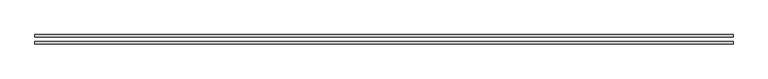
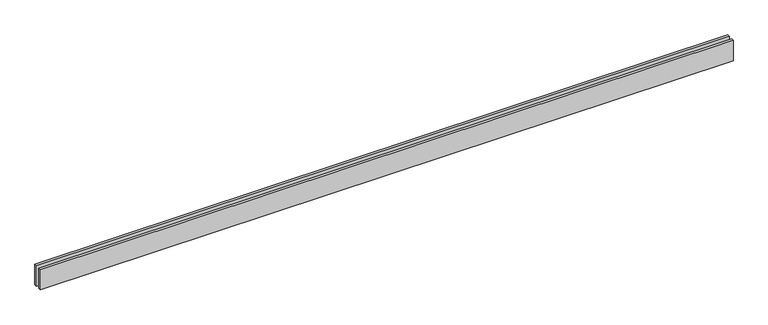
"""IFC4 building model written with IfcOpenShell, lengths in millimetres: proxy geometry."""

from ifc_helpers import new_model, si_unit, origin, origin_with_axes, place, context, project, spatial, polyline, outline, extrude, source, transform, mapped, element, save


def generic_models_e9903272(model_context):
    return source(origin(), model_context, "Body", "SweptSolid", [
        extrude(outline(polyline([(8100.0, -25.0), (8100.0, -55.0), (0.0, -55.0), (0.0, -25.0), (8100.0, -25.0)])), origin_with_axes(), (0.0, 0.0, 1.0), 250.0),
        extrude(outline(polyline([(8100.0, 55.0), (8100.0, 25.0), (0.0, 25.0), (0.0, 55.0), (8100.0, 55.0)])), origin_with_axes(), (0.0, 0.0, 1.0), 250.0),
    ])


if __name__ == "__main__":
    model = new_model("IFC4")
    model_context = context("Model", 3, world=origin())
    ifc_project = project(units=[si_unit("LENGTHUNIT", "METRE", prefix="MILLI")], contexts=[model_context])
    site = spatial("IfcSite", under=ifc_project)
    building = spatial("IfcBuilding", under=site)
    placement = place(None, origin())
    generic_models_shape = generic_models_e9903272(model_context)
    element("IfcBuildingElementProxy", 1, Name="Generic Models", at=placement, inside=building, context=model_context, shape_type="MappedRepresentation", body=[
        mapped(generic_models_shape, transform((0.0, 0.0, 0.0), x_axis=(1.0, 0.0, 0.0), y_axis=(0.0, 1.0, 0.0), z_axis=(0.0, 0.0, 1.0))),
    ])
    save(model, "model.ifc")
